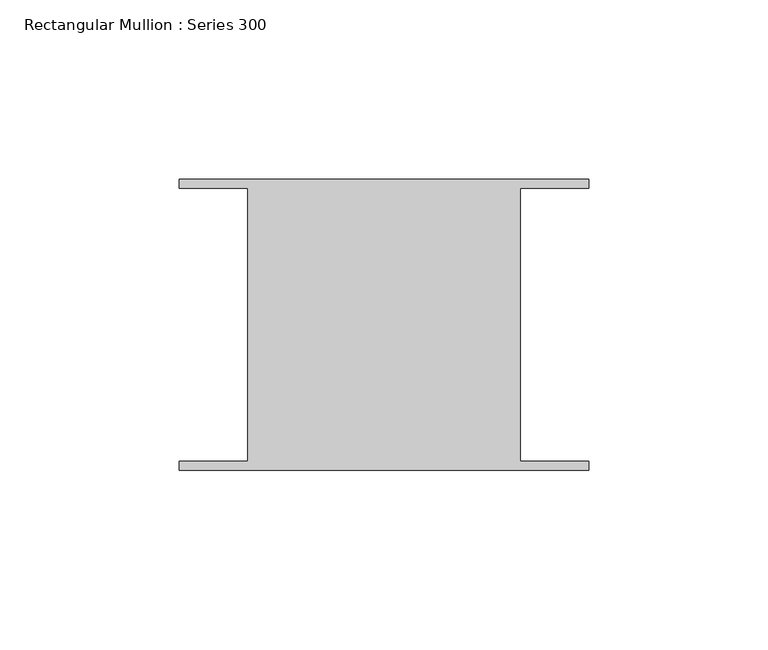
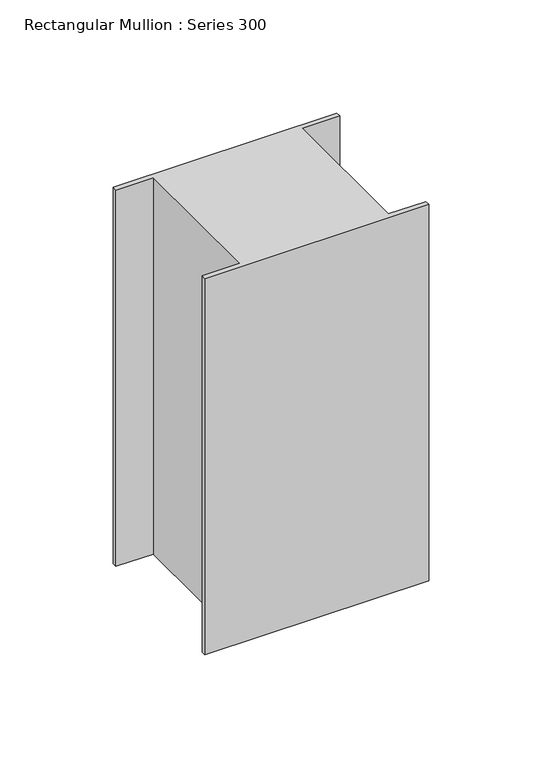
"""IFC4 building model written with IfcOpenShell, lengths in millimetres: member geometry, Rectangular Mullion : Series 300."""

from ifc_helpers import new_model, si_unit, frame, origin, place, context, project, spatial, polyline, outline, extrude, source, transform, mapped, element, save


def rectangular_mullion_series_300_c02c326d(model_context):
    return source(origin(), model_context, "Body", "SweptSolid", [
        extrude(outline(polyline([(-57.15, 38.3180241), (-57.15, 40.8591073), (57.15, 40.8591073), (57.15, 38.2877188), (37.993673, 38.2877188), (37.993673, -37.9129276), (57.15, -37.9129276), (57.15, -40.4246411), (-57.15, -40.4246411), (-57.15, -37.8795282), (-38.0017722, -37.8795282), (-38.0017722, 38.3180241), (-57.15, 38.3180241)])), frame((0.0, 0.0, -203.2), z_axis=(0.0, 0.0, 1.0), x_axis=(1.0, 0.0, 0.0)), (0.0, 0.0, 1.0), 203.2),
    ])


if __name__ == "__main__":
    model = new_model("IFC4")
    model_context = context("Model", 3, world=origin())
    ifc_project = project(units=[si_unit("LENGTHUNIT", "METRE", prefix="MILLI")], contexts=[model_context])
    site = spatial("IfcSite", under=ifc_project)
    building = spatial("IfcBuilding", under=site)
    placement = place(None, origin())
    rectangular_mullion_series_300_shape = rectangular_mullion_series_300_c02c326d(model_context)
    element("IfcMember", 1, ObjectType="Rectangular Mullion : Series 300", at=placement, inside=building, context=model_context, shape_type="MappedRepresentation", body=[
        mapped(rectangular_mullion_series_300_shape, transform((0.0, 0.0, 0.0), x_axis=(1.0, 0.0, 0.0), y_axis=(0.0, 1.0, 0.0), z_axis=(0.0, 0.0, 1.0))),
    ])
    save(model, "model.ifc")
